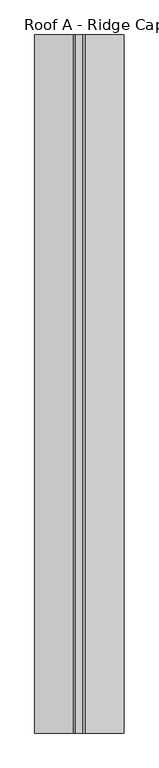
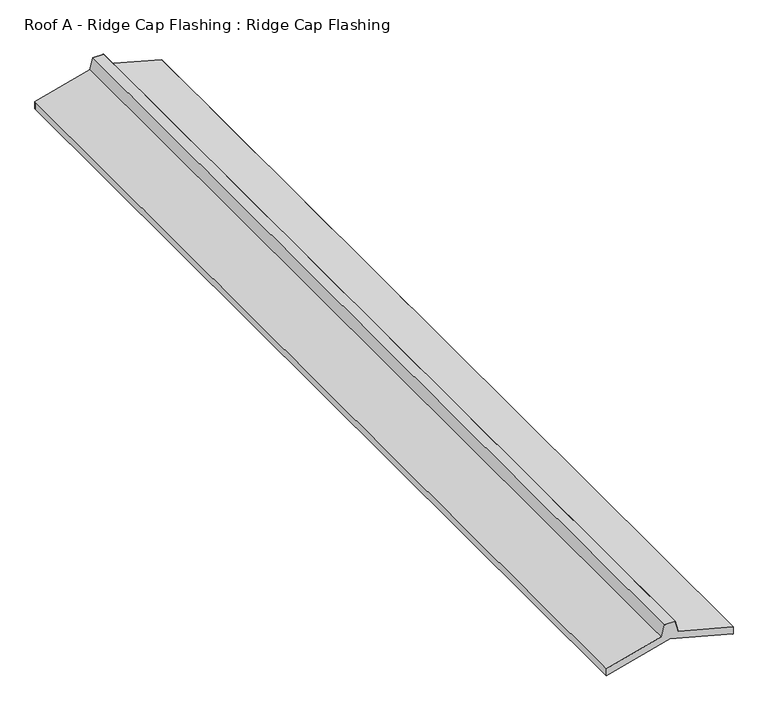
"""IFC4 building model written with IfcOpenShell, lengths in millimetres: proxy geometry, Roof A - Ridge Cap Flashing : Ridge Cap Flashing."""

from ifc_helpers import new_model, si_unit, frame, origin, place, context, project, spatial, polyline, outline, extrude, source, transform, mapped, element, save


def roof_a_ridge_cap_flashing_ridge_cap_flashing_02efb202(model_context):
    return source(origin(), model_context, "Body", "SweptSolid", [
        extrude(outline(polyline([(6198.9102496, 3175.4070919), (6161.043288, 3175.4070919), (6248.0176956, 3500.0), (6161.043288, 3824.5929081), (6198.9102496, 3824.5929081), (6274.4116755, 3542.8177506), (6333.0461554, 3527.106689), (6333.0461554, 3472.893311), (6274.4116755, 3457.1822494), (6198.9102496, 3175.4070919)])), frame((0.0, 4893.8954809, 0.0), z_axis=(0.0, 1.0, 0.0), x_axis=(0.0, 0.0, 1.0)), (0.0, 0.0, 1.0), 1.2850781),
        extrude(outline(polyline([(6198.9102496, 3175.4070919), (6161.043288, 3175.4070919), (6248.0176956, 3500.0), (6161.043288, 3824.5929081), (6198.9102496, 3824.5929081), (6274.4116755, 3542.8177506), (6333.0461554, 3527.106689), (6333.0461554, 3472.893311), (6274.4116755, 3457.1822494), (6198.9102496, 3175.4070919)])), frame((0.0, -170.0, 0.0), z_axis=(0.0, 1.0, 0.0), x_axis=(0.0, 0.0, 1.0)), (0.0, 0.0, 1.0), 2.0),
        extrude(outline(polyline([(6334.0461554, 3527.874016), (6334.0461554, 3472.125984), (6275.2281721, 3456.3657529), (6199.9455258, 3175.4070919), (6161.043288, 3175.4070919), (6161.043288, 3176.4070919), (6199.1781988, 3176.4070919), (6274.4116755, 3457.1822494), (6333.0461554, 3472.893311), (6333.0461554, 3527.106689), (6274.4116755, 3542.8177506), (6199.1781988, 3823.5929081), (6161.043288, 3823.5929081), (6161.043288, 3824.5929081), (6199.9455258, 3824.5929081), (6275.2281721, 3543.6342471), (6334.0461554, 3527.874016)])), frame((0.0, -170.0, 0.0), z_axis=(0.0, 1.0, 0.0), x_axis=(0.0, 0.0, 1.0)), (0.0, 0.0, 1.0), 5065.1805591),
    ])


if __name__ == "__main__":
    model = new_model("IFC4")
    model_context = context("Model", 3, world=origin())
    ifc_project = project(units=[si_unit("LENGTHUNIT", "METRE", prefix="MILLI")], contexts=[model_context])
    site = spatial("IfcSite", under=ifc_project)
    building = spatial("IfcBuilding", under=site)
    placement = place(None, origin())
    roof_a_ridge_cap_flashing_ridge_cap_flashing_shape = roof_a_ridge_cap_flashing_ridge_cap_flashing_02efb202(model_context)
    element("IfcBuildingElementProxy", 1, Name="Roof A - Ridge Cap Flashing : Ridge Cap Flashing", ObjectType="Roof A - Ridge Cap Flashing : Ridge Cap Flashing", at=placement, inside=building, context=model_context, shape_type="MappedRepresentation", body=[
        mapped(roof_a_ridge_cap_flashing_ridge_cap_flashing_shape, transform((0.0, 0.0, 0.0), x_axis=(1.0, 0.0, 0.0), y_axis=(0.0, 1.0, 0.0), z_axis=(0.0, 0.0, 1.0))),
    ])
    save(model, "model.ifc")
